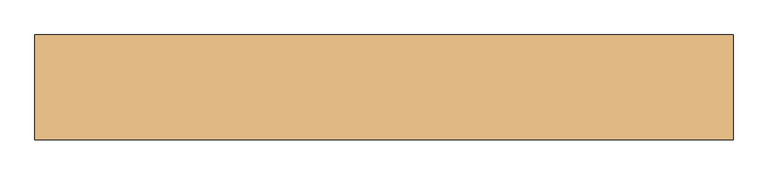
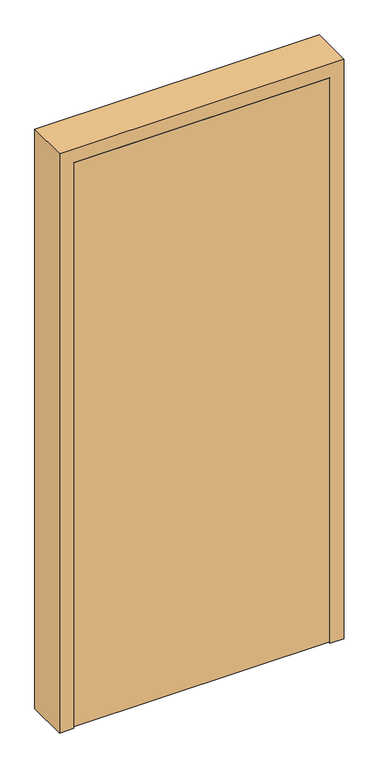
"""IFC4 building model written with IfcOpenShell, lengths in millimetres: door geometry."""

from ifc_helpers import new_model, si_unit, frame, origin, place, context, project, spatial, polyline, outline, extrude, faceted_brep, source, transform, mapped, element, save


def door_44decff3(model_context):
    return source(origin(), model_context, "Body", "SolidModel", [
        faceted_brep([(-274.6029148, -127.0, 2184.4), (741.3970852, -127.0, 2184.4), (741.3970852, 25.4, 2184.4), (-274.6029148, 25.4, 2184.4), (-223.8029148, -127.0, 0.0), (-274.6029148, -127.0, 0.0), (-274.6029148, 25.4, 0.0), (-223.8029148, 25.4, 0.0), (-223.8029148, -19.05, 0.0), (-204.7529148, -19.05, 0.0), (-204.7529148, -82.55, 0.0), (-223.8029148, -82.55, 0.0), (741.3970852, 25.4, 0.0), (741.3970852, -127.0, 0.0), (690.5970852, -127.0, 0.0), (690.5970852, -82.55, 0.0), (671.5470852, -82.55, 0.0), (671.5470852, -19.05, 0.0), (690.5970852, -19.05, 0.0), (690.5970852, 25.4, 0.0), (-223.8029148, -127.0, 2133.6), (690.5970852, -127.0, 2133.6), (690.5970852, 25.4, 2133.6), (-223.8029148, 25.4, 2133.6), (-223.8029148, -19.05, 2133.6), (690.5970852, -19.05, 2133.6), (671.5470852, -19.05, 2108.2), (-204.7529148, -19.05, 2108.2), (-204.7529148, -82.55, 2108.2), (671.5470852, -82.55, 2108.2), (690.5970852, -82.55, 2133.6), (-223.8029148, -82.55, 2133.6)], [[[0, 1, 2, 3]], [[4, 5, 6, 7, 8, 9, 10, 11]], [[12, 13, 14, 15, 16, 17, 18, 19]], [[0, 5, 4, 20, 21, 14, 13, 1]], [[6, 5, 0, 3]], [[2, 12, 19, 22, 23, 7, 6, 3]], [[7, 23, 24, 8]], [[8, 24, 25, 18, 17, 26, 27, 9]], [[9, 27, 28, 10]], [[10, 28, 29, 16, 15, 30, 31, 11]], [[31, 20, 4, 11]], [[13, 12, 2, 1]], [[14, 21, 30, 15]], [[16, 29, 26, 17]], [[25, 22, 19, 18]], [[24, 23, 22, 25]], [[28, 27, 26, 29]], [[20, 31, 30, 21]]]),
        extrude(outline(polyline([(690.5970852, -82.55), (690.5970852, -127.0), (-223.8029148, -127.0), (-223.8029148, -82.55), (690.5970852, -82.55)])), frame((0.0, 0.0, 6.35), z_axis=(0.0, 0.0, 1.0), x_axis=(1.0, 0.0, 0.0)), (0.0, 0.0, 1.0), 2127.25),
    ])


if __name__ == "__main__":
    model = new_model("IFC4")
    model_context = context("Model", 3, world=origin())
    ifc_project = project(units=[si_unit("LENGTHUNIT", "METRE", prefix="MILLI")], contexts=[model_context])
    site = spatial("IfcSite", under=ifc_project)
    building = spatial("IfcBuilding", under=site)
    placement = place(None, origin())
    door_shape = door_44decff3(model_context)
    element("IfcDoor", 1, at=placement, inside=building, context=model_context, shape_type="MappedRepresentation", body=[
        mapped(door_shape, transform((0.0, 0.0, 0.0), x_axis=(1.0, 0.0, 0.0), y_axis=(0.0, 1.0, 0.0), z_axis=(0.0, 0.0, 1.0))),
    ])
    save(model, "model.ifc")
